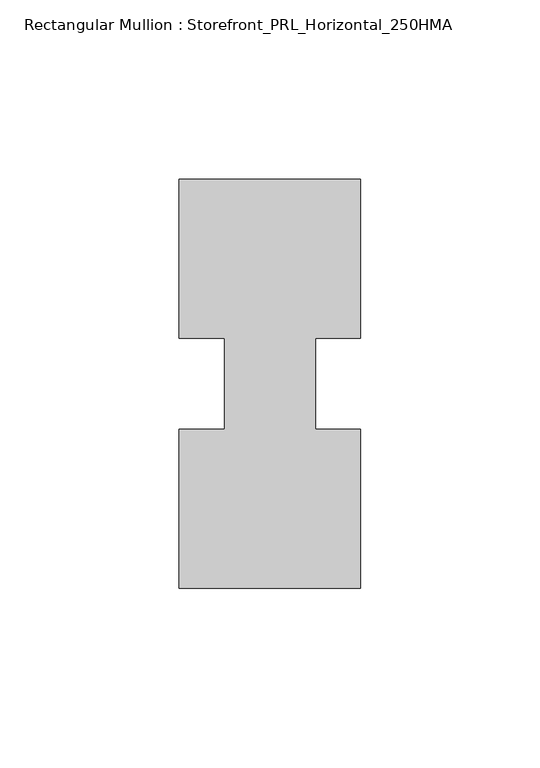
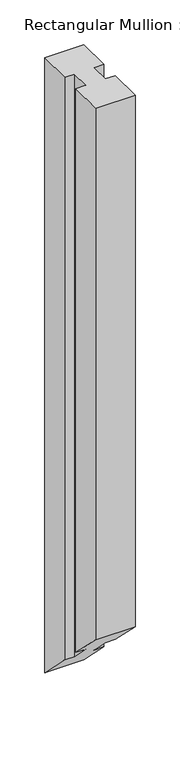
"""IFC4 building model written with IfcOpenShell, lengths in millimetres: member geometry, Rectangular Mullion : Storefront_PRL_Horizontal_250HMA."""

from ifc_helpers import new_model, si_unit, origin, place, context, project, spatial, faceted_brep, source, transform, mapped, element, save


def rectangular_mullion_storefront_prl_horizontal_250hma_b2a1c65f(model_context):
    return source(origin(), model_context, "Body", "Brep", [
        faceted_brep([(-12.7, -12.7, 0.0), (-25.4, -12.7, 0.0), (-25.4, -57.15, 0.0), (25.4, -57.15, 0.0), (25.4, -12.7, 0.0), (12.7, -12.7, 0.0), (12.7, 12.7, 0.0), (25.4, 12.7, 0.0), (25.4, 57.15, 0.0), (-25.4, 57.15, 0.0), (-25.4, 12.7, 0.0), (-12.7, 12.7, 0.0), (-12.7, -12.7, -770.4666667), (-25.4, -12.7, -770.4666667), (-25.4, -57.15, -726.0166667), (25.4, -57.15, -726.0166667), (25.4, -12.7, -770.4666667), (12.7, -12.7, -770.4666667), (12.7, 12.7, -795.8666667), (25.4, 12.7, -795.8666667), (25.4, 57.15, -840.3166667), (-25.4, 57.15, -840.3166667), (-25.4, 12.7, -795.8666667), (-12.7, 12.7, -795.8666667)], [[[0, 1, 2, 3, 4, 5, 6, 7, 8, 9, 10, 11]], [[1, 0, 12, 13]], [[2, 1, 13, 14]], [[3, 2, 14, 15]], [[4, 3, 15, 16]], [[5, 4, 16, 17]], [[6, 5, 17, 18]], [[7, 6, 18, 19]], [[8, 7, 19, 20]], [[9, 8, 20, 21]], [[10, 9, 21, 22]], [[11, 10, 22, 23]], [[0, 11, 23, 12]], [[12, 23, 22, 21, 20, 19, 18, 17, 16, 15, 14, 13]]]),
    ])


if __name__ == "__main__":
    model = new_model("IFC4")
    model_context = context("Model", 3, world=origin())
    ifc_project = project(units=[si_unit("LENGTHUNIT", "METRE", prefix="MILLI")], contexts=[model_context])
    site = spatial("IfcSite", under=ifc_project)
    building = spatial("IfcBuilding", under=site)
    placement = place(None, origin())
    rectangular_mullion_storefront_prl_horizontal_250hma_shape = rectangular_mullion_storefront_prl_horizontal_250hma_b2a1c65f(model_context)
    element("IfcMember", 1, ObjectType="Rectangular Mullion : Storefront_PRL_Horizontal_250HMA", at=placement, inside=building, context=model_context, shape_type="MappedRepresentation", body=[
        mapped(rectangular_mullion_storefront_prl_horizontal_250hma_shape, transform((0.0, 0.0, 0.0), x_axis=(1.0, 0.0, 0.0), y_axis=(0.0, 1.0, 0.0), z_axis=(0.0, 0.0, 1.0))),
    ])
    save(model, "model.ifc")
